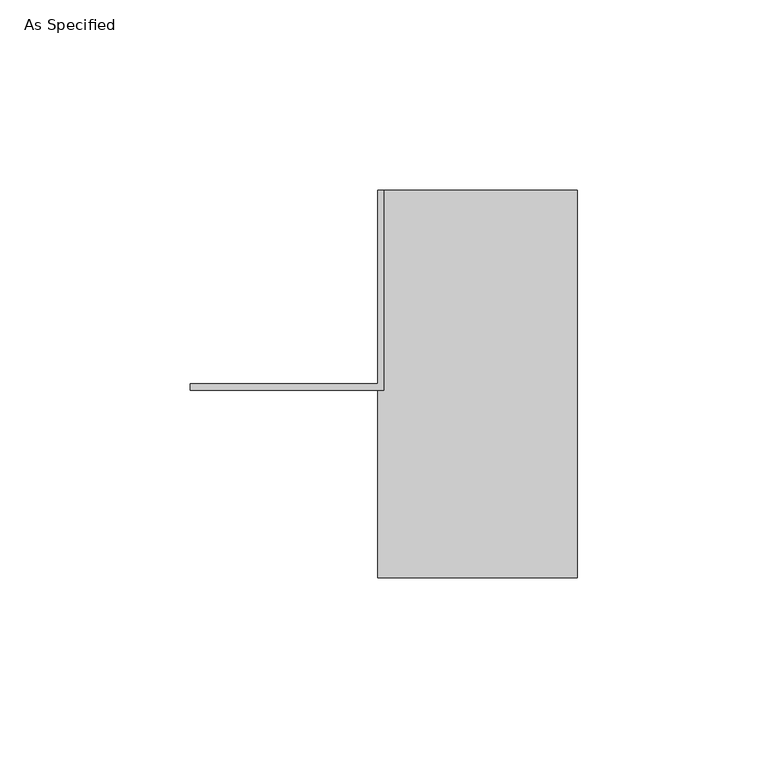
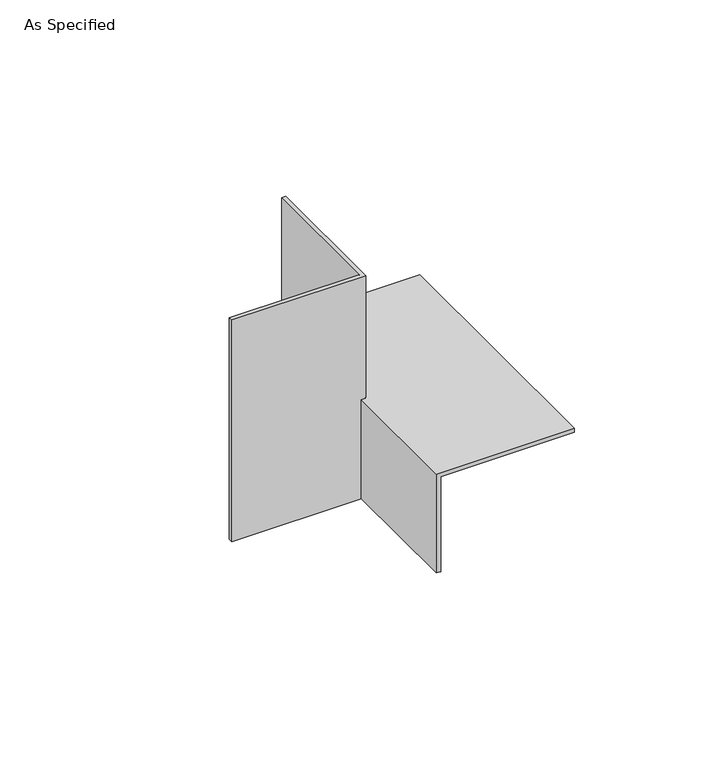
"""IFC4 building model written with IfcOpenShell, lengths in millimetres: proxy geometry, As Specified."""

from ifc_helpers import new_model, si_unit, origin, place, context, project, spatial, faceted_brep, source, transform, mapped, element, save


def as_specified_1fba45f0(model_context):
    return source(origin(), model_context, "Body", "Brep", [
        faceted_brep([(0.0, 50.8, 50.8), (0.0, 50.8, 1.5875), (50.8, 50.8, 1.5875), (50.8, 50.8, 0.0), (-1.5875, 50.8, 0.0), (-1.5875, 50.8, 50.8), (0.0, -1.5875, 50.8), (0.0, -1.5875, 1.5875), (50.8, -50.8, 0.0), (0.0, -50.8, 0.0), (0.0, -1.5875, 0.0), (0.0, 0.0, 0.0), (-1.5875, 0.0, 0.0), (50.8, -50.8, 1.5875), (-1.5875, -1.5875, 1.5875), (-1.5875, -50.8, 1.5875), (-1.5875, 0.0, 50.8), (-1.5875, -50.8, -38.1), (-1.5875, -1.5875, -38.1), (-50.8, 0.0, 50.8), (-50.8, -1.5875, 50.8), (0.0, -50.8, -38.1), (-50.8, 0.0, -38.1), (0.0, 0.0, -38.1), (-50.8, -1.5875, -38.1)], [[[0, 1, 2, 3, 4, 5]], [[1, 0, 6, 7]], [[4, 3, 8, 9, 10, 11, 12]], [[3, 2, 13, 8]], [[2, 1, 7, 14, 15, 13]], [[5, 4, 12, 16]], [[17, 15, 14, 18]], [[6, 0, 5, 16, 19, 20]], [[21, 9, 8, 13, 15, 17]], [[22, 19, 16, 12, 11, 23]], [[9, 21, 23, 11, 10]], [[21, 17, 18, 24, 22, 23]], [[6, 20, 24, 18, 14, 7]], [[24, 20, 19, 22]]]),
    ])


if __name__ == "__main__":
    model = new_model("IFC4")
    model_context = context("Model", 3, world=origin())
    ifc_project = project(units=[si_unit("LENGTHUNIT", "METRE", prefix="MILLI")], contexts=[model_context])
    site = spatial("IfcSite", under=ifc_project)
    building = spatial("IfcBuilding", under=site)
    placement = place(None, origin())
    as_specified_shape = as_specified_1fba45f0(model_context)
    element("IfcBuildingElementProxy", 1, Name="As Specified", ObjectType="As Specified", at=placement, inside=building, context=model_context, shape_type="MappedRepresentation", body=[
        mapped(as_specified_shape, transform((0.0, 0.0, 0.0), x_axis=(1.0, 0.0, 0.0), y_axis=(0.0, 1.0, 0.0), z_axis=(0.0, 0.0, 1.0))),
    ])
    save(model, "model.ifc")
